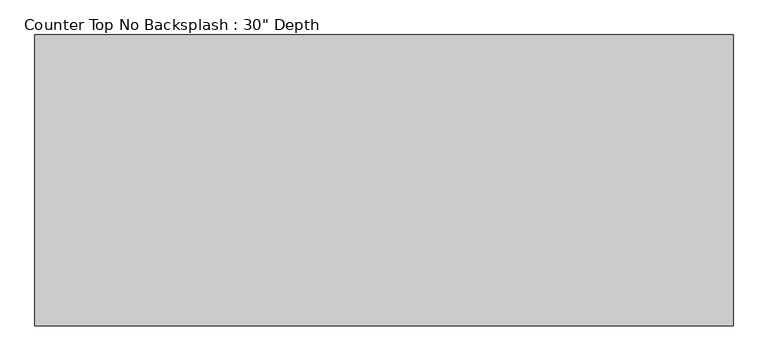
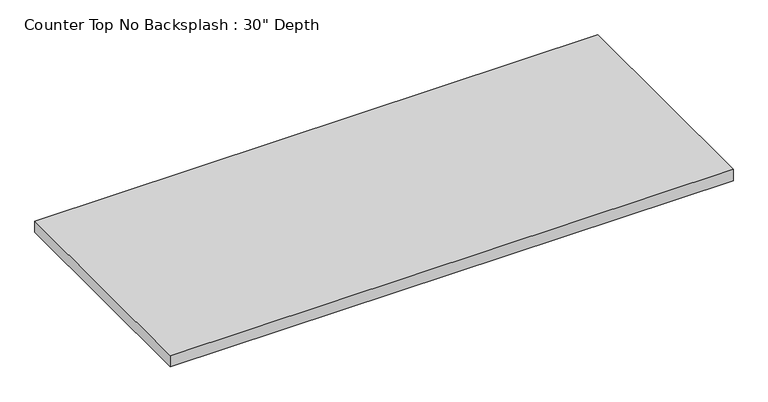
"""IFC4 building model written with IfcOpenShell, lengths in millimetres: furniture geometry."""

from ifc_helpers import new_model, si_unit, frame, origin, place, context, project, spatial, polyline, outline, extrude, source, transform, mapped, element, save


def furniture_c470599a(model_context):
    return source(origin(), model_context, "Body", "SweptSolid", [
        extrude(outline(polyline([(628.3370184, 0.0), (628.3370184, -762.0), (-1200.4622951, -762.0), (-1200.4622951, 0.0), (628.3370184, 0.0)])), frame((0.0, 0.0, 876.3), z_axis=(0.0, 0.0, 1.0), x_axis=(1.0, 0.0, 0.0)), (0.0, 0.0, 1.0), 38.1),
    ])


if __name__ == "__main__":
    model = new_model("IFC4")
    model_context = context("Model", 3, world=origin())
    ifc_project = project(units=[si_unit("LENGTHUNIT", "METRE", prefix="MILLI")], contexts=[model_context])
    site = spatial("IfcSite", under=ifc_project)
    building = spatial("IfcBuilding", under=site)
    placement = place(None, origin())
    furniture_shape = furniture_c470599a(model_context)
    element("IfcFurniture", 1, ObjectType="Counter Top No Backsplash : 30\" Depth", at=placement, inside=building, context=model_context, shape_type="MappedRepresentation", body=[
        mapped(furniture_shape, transform((0.0, 0.0, 0.0), x_axis=(1.0, 0.0, 0.0), y_axis=(0.0, 1.0, 0.0), z_axis=(0.0, 0.0, 1.0))),
    ])
    save(model, "model.ifc")
